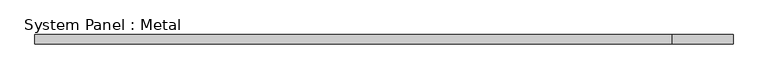
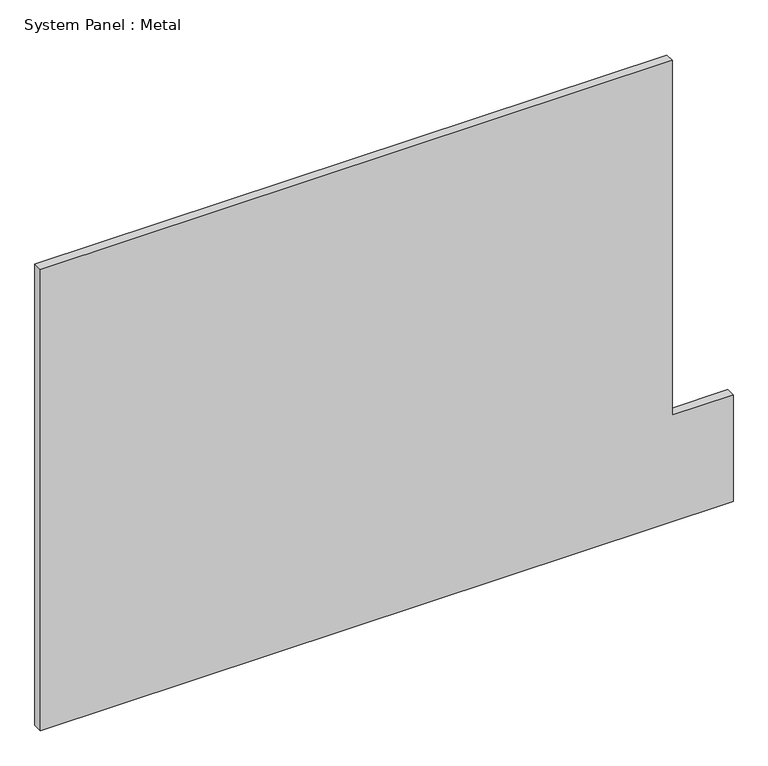
"""IFC4 building model written with IfcOpenShell, lengths in millimetres: plate geometry, System Panel : Metal."""

from ifc_helpers import new_model, si_unit, frame, origin, place, context, project, spatial, polyline, outline, extrude, source, transform, mapped, element, save


def system_panel_metal_71a2265a(model_context):
    return source(origin(), model_context, "Body", "SweptSolid", [
        extrude(outline(polyline([(0.0, -600.0), (0.0, 600.0), (195.0, 600.0), (195.0, 494.4412123), (845.0, 494.4412123), (845.0, -600.0), (0.0, -600.0)])), frame((0.0, -85.0, 0.0), z_axis=(0.0, 1.0, 0.0), x_axis=(0.0, 0.0, 1.0)), (0.0, 0.0, 1.0), 16.0),
    ])


if __name__ == "__main__":
    model = new_model("IFC4")
    model_context = context("Model", 3, world=origin())
    ifc_project = project(units=[si_unit("LENGTHUNIT", "METRE", prefix="MILLI")], contexts=[model_context])
    site = spatial("IfcSite", under=ifc_project)
    building = spatial("IfcBuilding", under=site)
    placement = place(None, origin())
    system_panel_metal_shape = system_panel_metal_71a2265a(model_context)
    element("IfcPlate", 1, ObjectType="System Panel : Metal", at=placement, inside=building, context=model_context, shape_type="MappedRepresentation", body=[
        mapped(system_panel_metal_shape, transform((0.0, 0.0, 0.0), x_axis=(1.0, 0.0, 0.0), y_axis=(0.0, 1.0, 0.0), z_axis=(0.0, 0.0, 1.0))),
    ])
    save(model, "model.ifc")
